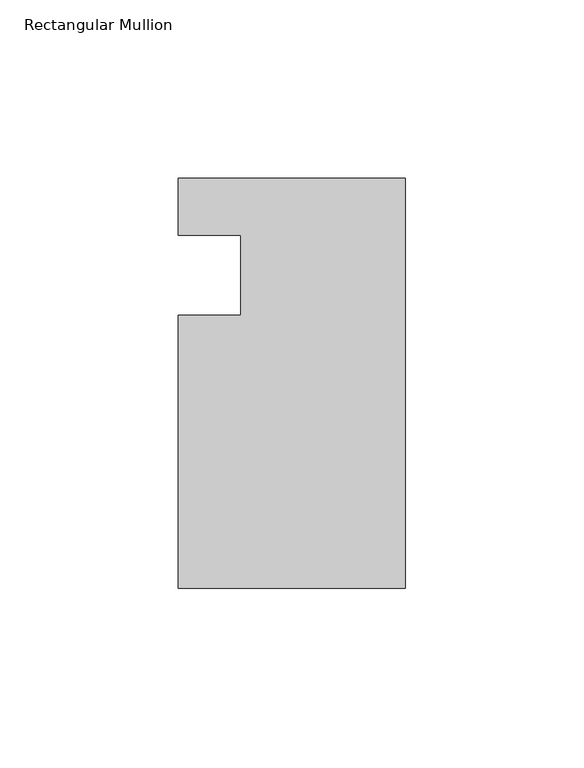
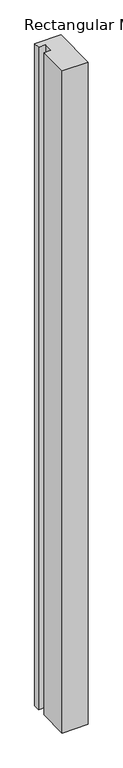
"""IFC4 building model written with IfcOpenShell, lengths in millimetres: member geometry, Rectangular Mullion."""

from ifc_helpers import new_model, si_unit, frame, origin, place, context, project, spatial, polyline, outline, extrude, source, transform, mapped, element, save


def rectangular_mullion_9b30177c(model_context):
    return source(origin(), model_context, "Body", "SweptSolid", [
        extrude(outline(polyline([(-63.5, -114.5309813), (-63.5, -38.0007813), (-46.0375, -38.0007812), (-46.0375, -15.5217812), (-63.5, -15.5217812), (-63.5, 0.3532188), (0.0, 0.3532188), (0.0, -114.5309813), (-63.5, -114.5309813)])), frame((0.0, 0.0, -1696.9382813), z_axis=(0.0, 0.0, 1.0), x_axis=(1.0, 0.0, 0.0)), (0.0, 0.0, 1.0), 1696.9382813),
    ])


if __name__ == "__main__":
    model = new_model("IFC4")
    model_context = context("Model", 3, world=origin())
    ifc_project = project(units=[si_unit("LENGTHUNIT", "METRE", prefix="MILLI")], contexts=[model_context])
    site = spatial("IfcSite", under=ifc_project)
    building = spatial("IfcBuilding", under=site)
    placement = place(None, origin())
    rectangular_mullion_shape = rectangular_mullion_9b30177c(model_context)
    element("IfcMember", 1, ObjectType="Rectangular Mullion", at=placement, inside=building, context=model_context, shape_type="MappedRepresentation", body=[
        mapped(rectangular_mullion_shape, transform((0.0, 0.0, 0.0), x_axis=(1.0, 0.0, 0.0), y_axis=(0.0, 1.0, 0.0), z_axis=(0.0, 0.0, 1.0))),
    ])
    save(model, "model.ifc")
